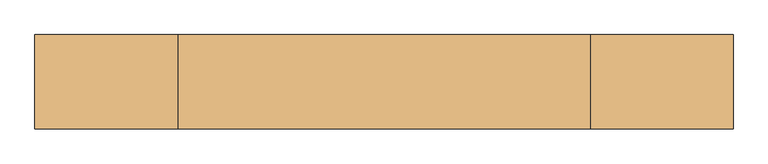
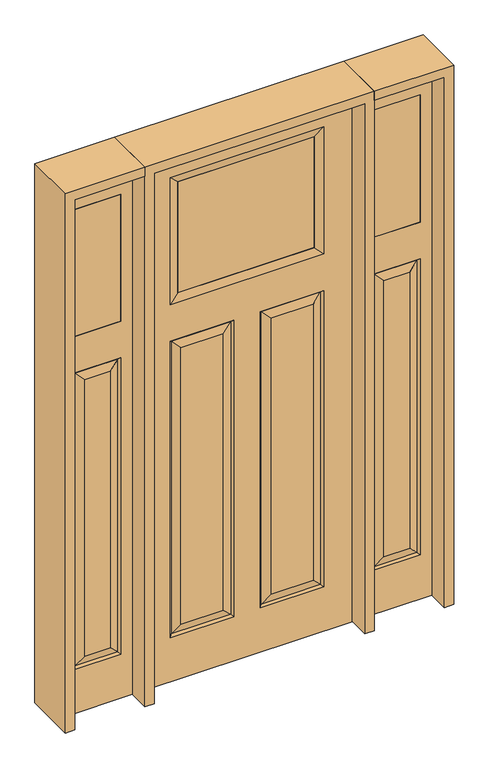
"""IFC4 building model written with IfcOpenShell, lengths in millimetres: door geometry."""

from ifc_helpers import new_model, si_unit, frame, origin, place, context, project, spatial, polyline, outline, extrude, faceted_brep, source, transform, mapped, element, save


def door_e0f200a7(model_context):
    return source(origin(), model_context, "Body", "SolidModel", [
        faceted_brep([(498.475, 20.6375, 0.0), (803.275, 20.6375, 0.0), (803.275, -20.6375, 0.0), (498.475, -20.6375, 0.0), (498.475, 20.6375, 2438.4), (498.475, -20.6375, 2438.4), (803.275, -20.6375, 2438.4), (752.602, -20.6375, 203.073), (549.148, -20.6375, 203.073), (549.148, -20.6375, 1565.3027812), (752.602, -20.6375, 1565.3027812), (752.475, -20.6375, 2317.75), (752.475, -20.6375, 1733.55), (549.275, -20.6375, 1733.55), (549.275, -20.6375, 2317.75), (706.5645, -20.6375, 1519.2652813), (595.1855, -20.6375, 1519.2652813), (595.1855, -20.6375, 249.1105), (706.5645, -20.6375, 249.1105), (803.275, 20.6375, 2438.4), (752.602, 20.6375, 1565.3027812), (549.148, 20.6375, 1565.3027812), (549.148, 20.6375, 203.073), (752.602, 20.6375, 203.073), (549.275, 20.6375, 2317.75), (549.275, 20.6375, 1733.55), (752.475, 20.6375, 1733.55), (752.475, 20.6375, 2317.75), (706.5645, 20.6375, 249.1105), (595.1855, 20.6375, 249.1105), (595.1855, 20.6375, 1519.2652812), (706.5645, 20.6375, 1519.2652812), (743.6217439, 11.6572439, 1556.3225251), (743.6217439, 11.6572439, 212.0532561), (558.1282561, 11.6572439, 212.0532561), (558.1282561, 11.6572439, 1556.3225251), (743.6217439, -11.6572439, 1556.3225251), (743.6217439, -11.6572439, 212.0532561), (558.1282561, -11.6572439, 212.0532561), (558.1282561, -11.6572439, 1556.3225251)], [[[0, 1, 2, 3]], [[4, 0, 3, 5]], [[5, 3, 2, 6], [7, 8, 9, 10], [11, 12, 13, 14]], [[15, 16, 17, 18]], [[6, 2, 1, 19]], [[19, 1, 0, 4], [20, 21, 22, 23], [24, 25, 26, 27]], [[28, 29, 30, 31]], [[32, 20, 23, 33]], [[23, 22, 34, 33]], [[22, 21, 35, 34]], [[33, 28, 31, 32]], [[34, 35, 30, 29]], [[33, 34, 29, 28]], [[36, 15, 18, 37]], [[18, 17, 38, 37]], [[17, 16, 39, 38]], [[37, 7, 10, 36]], [[38, 39, 9, 8]], [[37, 38, 8, 7]], [[4, 5, 6, 19]], [[36, 39, 16, 15]], [[10, 9, 39, 36]], [[32, 35, 21, 20]], [[31, 30, 35, 32]], [[11, 14, 24, 27]], [[27, 26, 12, 11]], [[26, 25, 13, 12]], [[14, 13, 25, 24]]]),
        extrude(outline(polyline([(549.275, -20.6375), (549.275, 20.6375), (752.475, 20.6375), (752.475, -20.6375), (549.275, -20.6375)])), frame((0.0, 0.0, 1733.55), z_axis=(0.0, 0.0, 1.0), x_axis=(1.0, 0.0, 0.0)), (0.0, 0.0, 1.0), 584.2),
        faceted_brep([(-498.475, 20.6375, 0.0), (-498.475, -20.6375, 0.0), (-803.275, -20.6375, 0.0), (-803.275, 20.6375, 0.0), (-498.475, 20.6375, 2438.4), (-498.475, -20.6375, 2438.4), (-706.5645, -20.6375, 1519.2652812), (-706.5645, -20.6375, 249.1105), (-595.1855, -20.6375, 249.1105), (-595.1855, -20.6375, 1519.2652812), (-803.275, -20.6375, 2438.4), (-752.602, -20.6375, 203.073), (-752.602, -20.6375, 1565.3027812), (-549.148, -20.6375, 1565.3027812), (-549.148, -20.6375, 203.073), (-752.475, -20.6375, 2317.75), (-549.275, -20.6375, 2317.75), (-549.275, -20.6375, 1733.55), (-752.475, -20.6375, 1733.55), (-803.275, 20.6375, 2438.4), (-706.5645, 20.6375, 249.1105), (-706.5645, 20.6375, 1519.2652812), (-595.1855, 20.6375, 1519.2652812), (-595.1855, 20.6375, 249.1105), (-752.602, 20.6375, 1565.3027812), (-752.602, 20.6375, 203.073), (-549.148, 20.6375, 203.073), (-549.148, 20.6375, 1565.3027812), (-549.275, 20.6375, 2317.75), (-752.475, 20.6375, 2317.75), (-752.475, 20.6375, 1733.55), (-549.275, 20.6375, 1733.55), (-743.6217439, 11.6572439, 1556.3225251), (-743.6217439, 11.6572439, 212.0532561), (-558.1282561, 11.6572439, 212.0532561), (-558.1282561, 11.6572439, 1556.3225251), (-743.6217439, -11.6572439, 1556.3225251), (-743.6217439, -11.6572439, 212.0532561), (-558.1282561, -11.6572439, 212.0532561), (-558.1282561, -11.6572439, 1556.3225251)], [[[0, 1, 2, 3]], [[4, 5, 1, 0]], [[6, 7, 8, 9]], [[5, 10, 2, 1], [11, 12, 13, 14], [15, 16, 17, 18]], [[10, 19, 3, 2]], [[20, 21, 22, 23]], [[19, 4, 0, 3], [24, 25, 26, 27], [28, 29, 30, 31]], [[32, 33, 25, 24]], [[25, 33, 34, 26]], [[26, 34, 35, 27]], [[33, 32, 21, 20]], [[34, 23, 22, 35]], [[33, 20, 23, 34]], [[36, 37, 7, 6]], [[7, 37, 38, 8]], [[8, 38, 39, 9]], [[37, 36, 12, 11]], [[38, 14, 13, 39]], [[37, 11, 14, 38]], [[4, 19, 10, 5]], [[36, 6, 9, 39]], [[12, 36, 39, 13]], [[32, 24, 27, 35]], [[21, 32, 35, 22]], [[15, 29, 28, 16]], [[29, 15, 18, 30]], [[30, 18, 17, 31]], [[16, 28, 31, 17]]]),
        extrude(outline(polyline([(-549.275, -20.6375), (-752.475, -20.6375), (-752.475, 20.6375), (-549.275, 20.6375), (-549.275, -20.6375)])), frame((0.0, 0.0, 1733.55), z_axis=(0.0, 0.0, 1.0), x_axis=(1.0, 0.0, 0.0)), (0.0, 0.0, 1.0), 584.2),
        faceted_brep([(-457.2, -20.6375, 2438.4), (-457.2, 20.6375, 2438.4), (-457.2, 20.6375, 0.0), (-457.2, -20.6375, 0.0), (287.4645, 20.6375, 1519.2652812), (287.4645, 20.6375, 249.1105), (102.9612813, 20.6375, 249.1105), (102.9612813, 20.6375, 1519.2652812), (-287.4645, 20.6375, 249.1105), (-287.4645, 20.6375, 1519.2652812), (-102.9612813, 20.6375, 1519.2652812), (-102.9612813, 20.6375, 249.1105), (457.2, 20.6375, 2438.4), (457.2, 20.6375, 0.0), (333.502, 20.6375, 203.073), (333.502, 20.6375, 1565.3027812), (56.9237813, 20.6375, 1565.3027812), (56.9237813, 20.6375, 203.073), (-333.5734375, 20.6375, 1733.3515625), (333.5734375, 20.6375, 1733.3515625), (333.5734375, 20.6375, 2317.9484375), (-333.5734375, 20.6375, 2317.9484375), (-333.502, 20.6375, 1565.3027812), (-333.502, 20.6375, 203.073), (-56.9237813, 20.6375, 203.073), (-56.9237813, 20.6375, 1565.3027812), (-324.5217439, 11.6572439, 1556.3225251), (-324.5217439, 11.6572439, 212.0532561), (-65.9040374, 11.6572439, 212.0532561), (65.9040374, -11.6572439, 212.0532561), (102.9612813, -20.6375, 249.1105), (102.9612812, -20.6375, 1519.2652812), (65.9040374, -11.6572439, 1556.3225251), (-102.9612813, -20.6375, 249.1105), (-65.9040374, -11.6572439, 212.0532561), (-65.9040374, -11.6572439, 1556.3225251), (-102.9612813, -20.6375, 1519.2652812), (-324.5217439, -11.6572439, 212.0532561), (-333.502, -20.6375, 203.073), (-56.9237813, -20.6375, 203.073), (-333.5734375, -20.6375, 1733.3515625), (-296.5161936, -11.6572439, 1770.4088064), (-296.5161936, -11.6572439, 2280.9398438), (-333.5734375, -20.6375, 2317.9484375), (296.5161936, -11.6572439, 1770.4088064), (333.5734375, -20.6375, 1733.3515625), (333.5734375, -20.6375, 2317.9484375), (296.5161936, -11.6572439, 2280.8911936), (324.5217439, -11.6572439, 1556.3225251), (333.502, -20.6375, 1565.3027812), (56.9237813, -20.6375, 1565.3027812), (296.5161936, 11.6572439, 2280.9398438), (-296.5161936, 11.6690335, 2280.9398438), (457.2, -20.6375, 0.0), (457.2, -20.6375, 2438.4), (287.4645, -20.6375, 249.1105), (287.4645, -20.6375, 1519.2652812), (-287.4645, -20.6375, 1519.2652812), (-287.4645, -20.6375, 249.1105), (-333.502, -20.6375, 1565.3027812), (-56.9237813, -20.6375, 1565.3027812), (333.502, -20.6375, 203.073), (56.9237813, -20.6375, 203.073), (324.5217439, 11.6572439, 212.0532561), (65.9040374, 11.6572439, 212.0532561), (324.5217439, -11.6572439, 212.0532561), (-324.5217439, -11.6572439, 1556.3225251), (296.5161936, 11.6572439, 1770.4088064), (324.5217439, 11.6572439, 1556.3225251), (65.9040374, 11.6572439, 1556.3225251), (-65.9040374, 11.6572439, 1556.3225251), (-296.5161936, 11.6572439, 1770.4088064)], [[[0, 1, 2, 3]], [[4, 5, 6, 7]], [[8, 9, 10, 11]], [[1, 12, 13, 2], [14, 15, 16, 17], [18, 19, 20, 21], [22, 23, 24, 25]], [[26, 27, 23, 22]], [[27, 26, 9, 8]], [[27, 8, 11, 28]], [[29, 30, 31, 32]], [[33, 34, 35, 36]], [[37, 38, 39, 34]], [[40, 41, 42, 43]], [[44, 45, 46, 47]], [[48, 49, 50, 32]], [[51, 47, 42, 52]], [[45, 44, 41, 40]], [[13, 53, 3, 2]], [[12, 54, 53, 13]], [[55, 56, 31, 30]], [[57, 58, 33, 36]], [[54, 0, 3, 53], [38, 59, 60, 39], [45, 40, 43, 46], [49, 61, 62, 50]], [[12, 1, 0, 54]], [[63, 14, 17, 64]], [[65, 55, 30, 29]], [[62, 29, 32, 50]], [[37, 66, 59, 38]], [[19, 67, 51, 20]], [[14, 63, 68, 15]], [[64, 17, 16, 69]], [[68, 63, 5, 4]], [[5, 63, 64, 6]], [[6, 64, 69, 7]], [[23, 27, 28, 24]], [[24, 28, 70, 25]], [[28, 11, 10, 70]], [[55, 65, 48, 56]], [[48, 65, 61, 49]], [[61, 65, 29, 62]], [[66, 37, 58, 57]], [[58, 37, 34, 33]], [[34, 39, 60, 35]], [[20, 51, 52, 21]], [[71, 18, 21, 52]], [[47, 46, 43, 42]], [[56, 48, 32, 31]], [[15, 68, 69, 16]], [[68, 4, 7, 69]], [[52, 42, 41, 71]], [[71, 41, 44, 67]], [[47, 51, 67, 44]], [[67, 19, 18, 71]], [[66, 57, 36, 35]], [[59, 66, 35, 60]], [[26, 22, 25, 70]], [[9, 26, 70, 10]]]),
        extrude(outline(polyline([(296.5161936, -11.6572439), (-296.5161936, -11.6572439), (-296.5161936, 11.6572439), (296.5161936, 11.6572439), (296.5161936, -11.6572439)])), frame((0.0, 0.0, 1770.3601562), z_axis=(0.0, 0.0, 1.0), x_axis=(1.0, 0.0, 0.0)), (0.0, 0.0, 1.0), 510.5796875),
        extrude(outline(polyline([(2438.4, -498.475), (2479.675, -498.475), (2479.675, -844.55), (0.0, -844.55), (0.0, -803.275), (2438.4, -803.275), (2438.4, -498.475)])), frame((0.0, -114.3, 0.0), z_axis=(0.0, 1.0, 0.0), x_axis=(0.0, 0.0, 1.0)), (0.0, 0.0, 1.0), 228.6),
        extrude(outline(polyline([(2479.675, -498.475), (0.0, -498.475), (0.0, -457.2), (2438.4, -457.2), (2438.4, 457.2), (0.0, 457.2), (0.0, 498.475), (2479.675, 498.475), (2479.675, -498.475)])), frame((0.0, -114.3, 0.0), z_axis=(0.0, 1.0, 0.0), x_axis=(0.0, 0.0, 1.0)), (0.0, 0.0, 1.0), 228.6),
        extrude(outline(polyline([(0.0, 803.275), (0.0, 844.55), (2479.675, 844.55), (2479.675, 498.475), (2438.4, 498.475), (2438.4, 803.275), (0.0, 803.275)])), frame((0.0, -114.3, 0.0), z_axis=(0.0, 1.0, 0.0), x_axis=(0.0, 0.0, 1.0)), (0.0, 0.0, 1.0), 228.6),
    ])


if __name__ == "__main__":
    model = new_model("IFC4")
    model_context = context("Model", 3, world=origin())
    ifc_project = project(units=[si_unit("LENGTHUNIT", "METRE", prefix="MILLI")], contexts=[model_context])
    site = spatial("IfcSite", under=ifc_project)
    building = spatial("IfcBuilding", under=site)
    placement = place(None, origin())
    door_shape = door_e0f200a7(model_context)
    element("IfcDoor", 1, at=placement, inside=building, context=model_context, shape_type="MappedRepresentation", body=[
        mapped(door_shape, transform((0.0, 0.0, 0.0), x_axis=(1.0, 0.0, 0.0), y_axis=(0.0, 1.0, 0.0), z_axis=(0.0, 0.0, 1.0))),
    ])
    save(model, "model.ifc")
